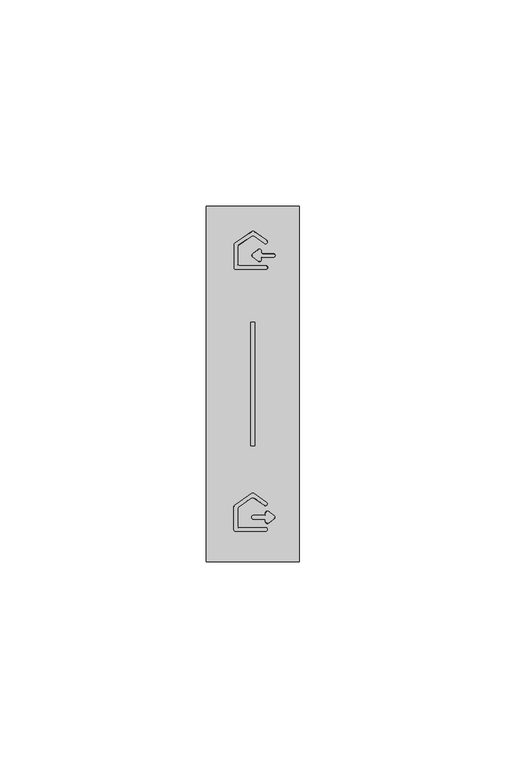
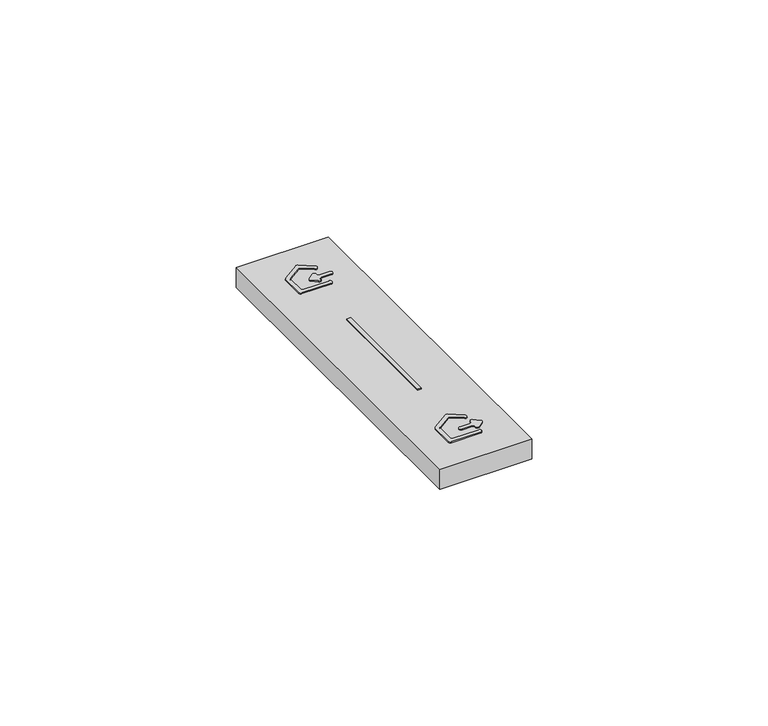
"""IFC4 building model written with IfcOpenShell, lengths in millimetres: proxy geometry."""

from ifc_helpers import new_model, si_unit, frame, origin, place, context, project, spatial, polyline, circle_curve, outline, extrude, source, transform, mapped, element, save
from ifc_brep_helpers import plane_surface, revolved_surface, advanced_brep


def electrical_fixtures_b326f416(model_context):
    return source(origin(), model_context, "Body", "SolidModel", [
        advanced_brep(
        [(11.3969709, 10.269254, 10.9634475), (13.9469709, 10.269254, 10.9634475), (14.3000287, 9.9161962, 10.9634475), (14.3000287, 9.6612323, 10.9634475), (15.0221361, 9.3090369, 10.9634475), (16.3724284, 10.3640009, 10.9634475), (16.3724284, 11.0683915, 10.9634475), (15.0221361, 12.1233555, 10.9634475), (14.3000287, 11.7711602, 10.9634475), (14.3000287, 11.5161962, 10.9634475), (13.9469709, 11.1631385, 10.9634475), (11.3969709, 11.1631385, 10.9634475), (14.27698, 11.5161962, 10.7), (14.27698, 11.7711602, 10.7), (15.0363263, 12.1415181, 10.7), (16.3866186, 11.0865541, 10.7), (16.3866186, 10.3458383, 10.7), (15.0363263, 9.2908743, 10.7), (14.27698, 9.6612323, 10.7), (14.27698, 9.9161962, 10.7), (13.9469709, 10.2462053, 10.7), (11.3969709, 10.2462053, 10.7), (11.3969709, 11.1861872, 10.7), (13.9469709, 11.1861872, 10.7)],
        [
            (0, 1),
            (1, 2, circle_curve(frame((13.9469709, 9.9161962, 10.9634475), z_axis=(0.0, 0.0, -1.0), x_axis=(1.0000000000000002, 0.0, 0.0)), 0.3530577)),
            (2, 3),
            (3, 4, circle_curve(frame((14.7469709, 9.6612323, 10.9634475), z_axis=(0.0, 0.0, 1.0), x_axis=(-1.0000000000000002, 0.0, 0.0)), 0.4469423)),
            (4, 5),
            (5, 6, circle_curve(frame((16.0972632, 10.7161962, 10.9634475), z_axis=(0.0, 0.0, 1.0), x_axis=(0.615661475325737, -0.7880107536066608, 0.0)), 0.4469423)),
            (6, 7),
            (7, 8, circle_curve(frame((14.7469709, 11.7711602, 10.9634475), z_axis=(0.0, 0.0, 1.0), x_axis=(0.6156614753257342, 0.788010753606663, 0.0)), 0.4469423)),
            (8, 9),
            (9, 10, circle_curve(frame((13.9469709, 11.5161962, 10.9634475), z_axis=(0.0, 0.0, -1.0), x_axis=(0.0, -1.0000000000000002, 0.0)), 0.3530577)),
            (10, 11),
            (11, 0, circle_curve(frame((11.3969709, 10.7161962, 10.9634475), z_axis=(0.0, 0.0, 1.0), x_axis=(0.0, 1.0000000000000002, 0.0)), 0.4469423)),
            (12, 13),
            (13, 14, circle_curve(frame((14.7469709, 11.7711602, 10.7), z_axis=(0.0, 0.0, -1.0), x_axis=(0.6156614753257342, 0.788010753606663, 0.0)), 0.4699909)),
            (14, 15),
            (15, 16, circle_curve(frame((16.0972632, 10.7161962, 10.7), z_axis=(0.0, 0.0, -1.0), x_axis=(0.615661475325737, -0.7880107536066608, 0.0)), 0.4699909)),
            (16, 17),
            (17, 18, circle_curve(frame((14.7469709, 9.6612323, 10.7), z_axis=(0.0, 0.0, -1.0), x_axis=(-1.0000000000000002, 0.0, 0.0)), 0.4699909)),
            (18, 19),
            (19, 20, circle_curve(frame((13.9469709, 9.9161962, 10.7), z_axis=(0.0, 0.0, 1.0), x_axis=(1.0000000000000002, 0.0, 0.0)), 0.3300091)),
            (20, 21),
            (21, 22, circle_curve(frame((11.3969709, 10.7161962, 10.7), z_axis=(0.0, 0.0, -1.0), x_axis=(0.0, 1.0000000000000002, 0.0)), 0.4699909)),
            (22, 23),
            (23, 12, circle_curve(frame((13.9469709, 11.5161962, 10.7), z_axis=(0.0, 0.0, 1.0), x_axis=(0.0, -1.0000000000000002, 0.0)), 0.3300091)),
            (16, 5),
            (4, 17),
            (15, 6),
            (14, 7),
            (13, 8),
            (12, 9),
            (23, 10),
            (22, 11),
            (20, 1),
            (0, 21),
            (19, 2),
            (18, 3),
        ],
        [
            plane_surface(frame((11.1969709, 11.4661962, 10.9634475), z_axis=(0.0, 0.0, 1.0), x_axis=(1.0, 0.0, 0.0))),
            plane_surface(frame((11.1969709, 11.4661962, 10.7), z_axis=(0.0, 0.0, -1.0), x_axis=(1.0, 0.0, 0.0))),
            plane_surface(frame((12.1833997, 7.1507436, 11.5), z_axis=(0.6133186975351117, -0.7850121347851438, 0.08715574274771593), x_axis=(0.7880107536095832, 0.6156614753219962, 0.0))),
            revolved_surface(polyline([(16.372428417541567, 10.364000899266927, 10.9634475), (16.3866186, 10.3458383, 10.7)]), (16.0972632, 10.7161962, 16.0720209), (0.0, 0.0, -1.0)),
            plane_surface(frame((11.5971171, 14.739703, 11.5), z_axis=(0.6133186975322746, 0.7850121347873575, 0.08715574274773943), x_axis=(-0.7880107536118072, 0.6156614753191497, 0.0))),
            revolved_surface(polyline([(15.02213611754157, 12.123355500733075, 10.9634475), (15.0363263, 12.1415181, 10.7)]), (14.7469709, 11.7711602, 16.0720209), (0.0, 0.0, -1.0)),
            plane_surface(frame((14.3469709, 11.9475083, 11.5), z_axis=(-0.9961946980917439, 0.0, 0.0871557427476776), x_axis=(0.0, -1.0, 0.0))),
            revolved_surface(polyline([(13.9469709, 11.1631385, 10.9634475), (13.9469709, 11.18618716726766, 10.7)]), (13.9469709, 11.5161962, 6.9279791), (0.0, 0.0, 1.0)),
            plane_surface(frame((11.1969709, 11.1161962, 11.5), z_axis=(0.0, 0.9961946980917439, 0.0871557427476776), x_axis=(1.0, 0.0, 0.0))),
            plane_surface(frame((11.1969709, 10.3161962, 11.5), z_axis=(0.0, -0.9961946980917439, 0.0871557427476776), x_axis=(1.0, 0.0, 0.0))),
            revolved_surface(polyline([(14.3000287, 9.9161962, 10.9634475), (14.276980026204042, 9.9161962, 10.7)]), (13.9469709, 9.9161962, 6.9279791), (0.0, 0.0, 1.0)),
            revolved_surface(polyline([(14.300028668263325, 9.6612323, 10.9634475), (14.27698, 9.6612323, 10.7)]), (14.7469709, 9.6612323, 16.0720209), (0.0, 0.0, -1.0)),
            revolved_surface(polyline([(11.3969709, 11.16313852683261, 10.9634475), (11.3969709, 11.1861872, 10.7)]), (11.3969709, 10.7161962, 16.0720209), (0.0, 0.0, -1.0)),
        ],
        [
            (0, [[1, 2, 3, 4, 5, 6, 7, 8, 9, 10, 11, 12]]),
            (1, [[13, 14, 15, 16, 17, 18, 19, 20, 21, 22, 23, 24]]),
            (2, [[-17, 25, -5, 26]]),
            (3, [[-16, 27, -6, -25]]),
            (4, [[-15, 28, -7, -27]]),
            (5, [[-14, 29, -8, -28]]),
            (6, [[-13, 30, -9, -29]]),
            (7, [[-24, 31, -10, -30]]),
            (8, [[32, -11, -31, -23]]),
            (9, [[-21, 33, -1, 34]]),
            (10, [[-20, 35, -2, -33]]),
            (6, [[-19, 36, -3, -35]]),
            (11, [[-18, -26, -4, -36]]),
            (12, [[-22, -34, -12, -32]]),
        ],
    ),
        advanced_brep(
        [(14.2969709, 7.319254, 10.9634475), (14.2969709, 8.2131385, 10.9634475), (7.8969709, 8.2131385, 10.9634475), (7.5439132, 8.5661962, 10.9634475), (7.5439132, 12.8415158, 10.9634475), (7.6944653, 13.1307237, 10.9634475), (10.9944653, 15.4414086, 10.9634475), (11.3994765, 15.4414086, 10.9634475), (13.987793, 13.6290499, 10.9634475), (14.5005041, 14.3612772, 10.9634475), (11.4533265, 16.494934, 10.9634475), (10.9406154, 16.494934, 10.9634475), (6.8406154, 13.6240831, 10.9634475), (6.6500287, 13.2579694, 10.9634475), (6.6500287, 7.7661962, 10.9634475), (7.0969709, 7.319254, 10.9634475), (14.2969709, 8.2361872, 10.7), (14.2969709, 7.2962053, 10.7), (7.0969709, 7.2962053, 10.7), (6.62698, 7.7661962, 10.7), (6.62698, 13.2579694, 10.7), (6.8273952, 13.6429634, 10.7), (10.9273952, 16.5138143, 10.7), (11.4665467, 16.5138143, 10.7), (14.5137243, 14.3801576, 10.7), (13.9745728, 13.6101695, 10.7), (11.3862564, 15.4225282, 10.7), (11.0076855, 15.4225282, 10.7), (7.7076855, 13.1118434, 10.7), (7.5669619, 12.8415158, 10.7), (7.5669619, 8.5661962, 10.7), (7.8969709, 8.2361872, 10.7)],
        [
            (0, 1, circle_curve(frame((14.2969709, 7.7661962, 10.9634475), z_axis=(0.0, 0.0, 1.0), x_axis=(0.0, -1.0000000000000002, 0.0)), 0.4469423)),
            (1, 2),
            (2, 3, circle_curve(frame((7.8969709, 8.5661962, 10.9634475), z_axis=(0.0, 0.0, -1.0), x_axis=(-1.0000000000000002, 0.0, 0.0)), 0.3530577)),
            (3, 4),
            (4, 5, circle_curve(frame((7.8969709, 12.8415158, 10.9634475), z_axis=(0.0, 0.0, -1.0), x_axis=(-0.5735764363510132, 0.8191520442890151, 0.0)), 0.3530577)),
            (5, 6),
            (6, 7, circle_curve(frame((11.1969709, 15.1522006, 10.9634475), z_axis=(0.0, 0.0, -1.0), x_axis=(0.5735764363510097, 0.8191520442890176, 0.0)), 0.3530577)),
            (7, 8),
            (8, 9, circle_curve(frame((14.2441485, 13.9951636, 10.9634475), z_axis=(0.0, 0.0, 1.0), x_axis=(-0.5735764363510101, -0.8191520442890173, 0.0)), 0.4469423)),
            (9, 10),
            (10, 11, circle_curve(frame((11.1969709, 16.1288203, 10.9634475), z_axis=(0.0, 0.0, 1.0), x_axis=(0.5735764363510104, 0.8191520442890172, 0.0)), 0.4469423)),
            (11, 12),
            (12, 13, circle_curve(frame((7.0969709, 13.2579694, 10.9634475), z_axis=(0.0, 0.0, 1.0), x_axis=(-0.5735764363510132, 0.8191520442890152, 0.0)), 0.4469423)),
            (13, 14),
            (14, 15, circle_curve(frame((7.0969709, 7.7661962, 10.9634475), z_axis=(0.0, 0.0, 1.0), x_axis=(-1.0000000000000002, 0.0, 0.0)), 0.4469423)),
            (15, 0),
            (16, 17, circle_curve(frame((14.2969709, 7.7661962, 10.7), z_axis=(0.0, 0.0, -1.0), x_axis=(0.0, -1.0000000000000002, 0.0)), 0.4699909)),
            (17, 18),
            (18, 19, circle_curve(frame((7.0969709, 7.7661962, 10.7), z_axis=(0.0, 0.0, -1.0), x_axis=(-1.0000000000000002, 0.0, 0.0)), 0.4699909)),
            (19, 20),
            (20, 21, circle_curve(frame((7.0969709, 13.2579694, 10.7), z_axis=(0.0, 0.0, -1.0), x_axis=(-0.5735764363510132, 0.8191520442890152, 0.0)), 0.4699909)),
            (21, 22),
            (22, 23, circle_curve(frame((11.1969709, 16.1288203, 10.7), z_axis=(0.0, 0.0, -1.0), x_axis=(0.5735764363510104, 0.8191520442890172, 0.0)), 0.4699909)),
            (23, 24),
            (24, 25, circle_curve(frame((14.2441485, 13.9951636, 10.7), z_axis=(0.0, 0.0, -1.0), x_axis=(-0.5735764363510101, -0.8191520442890173, 0.0)), 0.4699909)),
            (25, 26),
            (26, 27, circle_curve(frame((11.1969709, 15.1522006, 10.7), z_axis=(0.0, 0.0, 1.0), x_axis=(0.5735764363510097, 0.8191520442890176, 0.0)), 0.3300091)),
            (27, 28),
            (28, 29, circle_curve(frame((7.8969709, 12.8415158, 10.7), z_axis=(0.0, 0.0, 1.0), x_axis=(-0.5735764363510132, 0.8191520442890151, 0.0)), 0.3300091)),
            (29, 30),
            (30, 31, circle_curve(frame((7.8969709, 8.5661962, 10.7), z_axis=(0.0, 0.0, 1.0), x_axis=(-1.0000000000000002, 0.0, 0.0)), 0.3300091)),
            (31, 16),
            (23, 10),
            (9, 24),
            (22, 11),
            (21, 12),
            (20, 13),
            (19, 14),
            (18, 15),
            (17, 0),
            (31, 2),
            (1, 16),
            (30, 3),
            (29, 4),
            (28, 5),
            (27, 6),
            (26, 7),
            (25, 8),
        ],
        [
            plane_surface(frame((11.1969709, 11.4661962, 10.9634475), z_axis=(0.0, 0.0, 1.0), x_axis=(1.0, 0.0, 0.0))),
            plane_surface(frame((11.1969709, 11.4661962, 10.7), z_axis=(0.0, 0.0, -1.0), x_axis=(1.0, 0.0, 0.0))),
            plane_surface(frame((11.5971171, 16.3369448, 11.5), z_axis=(0.5713938048422734, 0.816034923452397, 0.08715574274774218), x_axis=(0.8191520442896891, -0.5735764363500503, 0.0))),
            revolved_surface(polyline([(11.453326522362474, 16.494933936594304, 10.9634475), (11.4665467, 16.5138143, 10.7)]), (11.1969709, 16.1288203, 16.0720209), (0.0, 0.0, -1.0)),
            plane_surface(frame((11.5971171, 16.8973155, 11.5), z_axis=(-0.571393804832955, 0.8160349234589273, 0.08715574274769256), x_axis=(0.8191520442962407, 0.5735764363406937, 0.0))),
            revolved_surface(polyline([(6.840615372733458, 13.624083036594302, 10.9634475), (6.8273952, 13.6429634, 10.7)]), (7.0969709, 13.2579694, 16.0720209), (0.0, 0.0, -1.0)),
            plane_surface(frame((6.6969709, 11.9475083, 11.5), z_axis=(-0.9961946980917439, 0.0, 0.0871557427476776), x_axis=(0.0, -1.0, 0.0))),
            revolved_surface(polyline([(6.6500286682633245, 7.7661962, 10.9634475), (6.62698, 7.7661962, 10.7)]), (7.0969709, 7.7661962, 16.0720209), (0.0, 0.0, -1.0)),
            plane_surface(frame((11.1969709, 7.3661962, 11.5), z_axis=(0.0, -0.9961946980917439, 0.0871557427476776), x_axis=(1.0, 0.0, 0.0))),
            plane_surface(frame((11.5971171, 8.1661962, 11.5), z_axis=(0.0, 0.9961946980917439, 0.0871557427476776), x_axis=(-1.0, 0.0, 0.0))),
            revolved_surface(polyline([(7.5439132, 8.5661962, 10.9634475), (7.566961867267659, 8.5661962, 10.7)]), (7.8969709, 8.5661962, 6.9279791), (0.0, 0.0, 1.0)),
            plane_surface(frame((7.4969709, 11.4661962, 11.5), z_axis=(0.9961946980917439, 0.0, 0.0871557427476776), x_axis=(0.0, 1.0, 0.0))),
            revolved_surface(polyline([(7.6944653, 13.1307237, 10.9634475), (7.707685473909923, 13.111843339485903, 10.7)]), (7.8969709, 12.8415158, 6.9279791), (0.0, 0.0, 1.0)),
            plane_surface(frame((11.5971171, 15.9206958, 11.5), z_axis=(0.5713938048422764, -0.8160349234523949, 0.08715574274774221), x_axis=(-0.819152044289687, -0.5735764363500533, 0.0))),
            revolved_surface(polyline([(11.3994765, 15.4414086, 10.9634475), (11.386256326090077, 15.422528232957603, 10.7)]), (11.1969709, 15.1522006, 6.9279791), (0.0, 0.0, 1.0)),
            plane_surface(frame((11.5971171, 15.3603251, 11.5), z_axis=(-0.5713938048470433, -0.8160349234490609, 0.08715574274770654), x_axis=(-0.8191520442863377, 0.5735764363548366, 0.0))),
            revolved_surface(polyline([(14.2969709, 7.319253968263325, 10.9634475), (14.2969709, 7.2962053, 10.7)]), (14.2969709, 7.7661962, 16.0720209), (0.0, 0.0, -1.0)),
            revolved_surface(polyline([(13.987792972733459, 13.629049868309764, 10.9634475), (13.9745728, 13.6101695, 10.7)]), (14.2441485, 13.9951636, 16.0720209), (0.0, 0.0, -1.0)),
        ],
        [
            (0, [[1, 2, 3, 4, 5, 6, 7, 8, 9, 10, 11, 12, 13, 14, 15, 16]]),
            (1, [[17, 18, 19, 20, 21, 22, 23, 24, 25, 26, 27, 28, 29, 30, 31, 32]]),
            (2, [[33, -10, 34, -24]]),
            (3, [[-23, 35, -11, -33]]),
            (4, [[36, -12, -35, -22]]),
            (5, [[-21, 37, -13, -36]]),
            (6, [[-20, 38, -14, -37]]),
            (7, [[-19, 39, -15, -38]]),
            (8, [[-18, 40, -16, -39]]),
            (9, [[-32, 41, -2, 42]]),
            (10, [[-31, 43, -3, -41]]),
            (11, [[-30, 44, -4, -43]]),
            (12, [[-29, 45, -5, -44]]),
            (13, [[46, -6, -45, -28]]),
            (14, [[-27, 47, -7, -46]]),
            (15, [[48, -8, -47, -26]]),
            (16, [[-17, -42, -1, -40]]),
            (17, [[-25, -34, -9, -48]]),
        ],
    ),
        advanced_brep(
        [(13.6128265, 74.5995559, 10.9533734), (13.2606303, 74.9517323, 10.9533734), (13.2606303, 75.206695, 10.9533734), (12.537099, 75.5595861, 10.9533734), (11.1867757, 74.5045979, 10.9533734), (11.1868067, 73.7988424, 10.9533734), (12.537098, 72.7438792, 10.9533734), (13.2606303, 73.0967683, 10.9533734), (13.2606303, 73.3517124, 10.9533734), (13.6128265, 73.7039086, 10.9533734), (16.1628265, 73.7039086, 10.9533734), (16.6106303, 74.1517521, 10.9533734), (16.1628067, 74.5995559, 10.9533734), (16.6327977, 74.1517612, 10.7), (16.1628357, 73.6817413, 10.7), (13.6128357, 73.6817413, 10.7), (13.2827976, 73.3517033, 10.7), (13.2827976, 73.0967683, 10.7), (12.52345, 72.7264115, 10.7), (11.1731591, 73.7813744, 10.7), (11.1731138, 74.5220547, 10.7), (12.5234514, 75.5770541, 10.7), (13.2827976, 75.2066944, 10.7), (13.2827976, 74.9517323, 10.7), (13.6128357, 74.6217232, 10.7), (16.1628067, 74.6217232, 10.7)],
        [
            (0, 1, circle_curve(frame((13.6129724, 74.951898, 10.9533734), z_axis=(0.0, 0.0, -1.0), x_axis=(-0.9999999142703148, -0.0004140765188228314, 0.0)), 0.3523421)),
            (1, 2),
            (2, 3, circle_curve(frame((12.8128118, 75.2067066, 10.9533734), z_axis=(0.0, 0.0, 1.0), x_axis=(0.9999999996608449, -2.604439838031709e-05, 0.0)), 0.4478186)),
            (3, 4),
            (4, 5, circle_curve(frame((11.4629321, 74.1517323, 10.9533734), z_axis=(0.0, 0.0, 1.0), x_axis=(-0.6163092908499913, 0.7875041955519863, 0.0)), 0.4480809)),
            (5, 6),
            (6, 7, circle_curve(frame((12.8128118, 73.0967579, 10.9533734), z_axis=(0.0, 0.0, 1.0), x_axis=(-0.6156819983828117, -0.787994718806762, 0.0)), 0.4478186)),
            (7, 8),
            (8, 9, circle_curve(frame((13.6129724, 73.3515666, 10.9533734), z_axis=(0.0, 0.0, -1.0), x_axis=(-0.00041407651882349213, 0.9999999142703149, 0.0)), 0.3523421)),
            (9, 10),
            (10, 11, circle_curve(frame((16.162641, 74.151898, 10.9533734), z_axis=(0.0, 0.0, 1.0), x_axis=(0.00041407651882217086, -0.9999999142703149, 0.0)), 0.4479894)),
            (11, 12, circle_curve(frame((16.162641, 74.1515666, 10.9533734), z_axis=(0.0, 0.0, 1.0), x_axis=(0.9999999142703148, 0.000414076518820932, 0.0)), 0.4479894)),
            (12, 0),
            (13, 14, circle_curve(frame((16.162641, 74.151898, 10.7), z_axis=(0.0, 0.0, -1.0), x_axis=(0.00041407651882217086, -0.9999999142703149, 0.0)), 0.4701567)),
            (14, 15),
            (15, 16, circle_curve(frame((13.6129724, 73.3515666, 10.7), z_axis=(0.0, 0.0, 1.0), x_axis=(-0.00041407651882349213, 0.9999999142703149, 0.0)), 0.3301748)),
            (16, 17),
            (17, 18, circle_curve(frame((12.8128118, 73.0967579, 10.7), z_axis=(0.0, 0.0, -1.0), x_axis=(-0.6156819983828117, -0.787994718806762, 0.0)), 0.4699858)),
            (18, 19),
            (19, 20, circle_curve(frame((11.4629321, 74.1517323, 10.7), z_axis=(0.0, 0.0, -1.0), x_axis=(-0.6163092908499913, 0.7875041955519863, 0.0)), 0.4702482)),
            (20, 21),
            (21, 22, circle_curve(frame((12.8128118, 75.2067066, 10.7), z_axis=(0.0, 0.0, -1.0), x_axis=(0.9999999996608449, -2.604439838031709e-05, 0.0)), 0.4699858)),
            (22, 23),
            (23, 24, circle_curve(frame((13.6129724, 74.951898, 10.7), z_axis=(0.0, 0.0, 1.0), x_axis=(-0.9999999142703148, -0.0004140765188228314, 0.0)), 0.3301748)),
            (24, 25),
            (25, 13, circle_curve(frame((16.162641, 74.1515666, 10.7), z_axis=(0.0, 0.0, -1.0), x_axis=(0.9999999142703148, 0.000414076518820932, 0.0)), 0.4701567)),
            (15, 9),
            (8, 16),
            (7, 17),
            (6, 18),
            (5, 19),
            (4, 20),
            (3, 21),
            (2, 22),
            (1, 23),
            (0, 24),
            (12, 25),
            (11, 13),
            (10, 14),
        ],
        [
            plane_surface(frame((11.2626748, 74.9017323, 10.9533734), z_axis=(0.0, 0.0, 1.0), x_axis=(1.0, 0.0, 0.0))),
            plane_surface(frame((11.2626748, 74.9017323, 10.7), z_axis=(0.0, 0.0, -1.0), x_axis=(1.0, 0.0, 0.0))),
            revolved_surface(polyline([(13.6128265, 73.7039086, 10.9533734), (13.612835679172843, 73.68174130652963, 10.7)]), (13.6129724, 73.3515666, 6.9260847), (0.0, 0.0, 1.0)),
            plane_surface(frame((13.2128067, 73.2242503, 11.5), z_axis=(0.9961946980917439, 0.0, 0.0871557427476776), x_axis=(0.0, -1.0, 0.0))),
            revolved_surface(polyline([(13.260630302025092, 73.09676780947476, 10.9533734), (13.2827976, 73.0967683, 10.7)]), (12.8128118, 73.0967579, 16.0719628), (0.0, 0.0, -1.0)),
            plane_surface(frame((11.891396, 73.309046, 11.5), z_axis=(-0.6133186975390488, -0.7850121347820685, 0.08715574274770735), x_axis=(-0.7880107536064958, 0.615661475325948, 0.0))),
            revolved_surface(polyline([(11.186818875009418, 73.79883291265288, 10.9533734), (11.1731591, 73.7813744, 10.7)]), (11.4629321, 74.1517323, 16.0749619), (0.0, 0.0, -1.0)),
            plane_surface(frame((11.891396, 74.9944185, 11.5), z_axis=(-0.6133186975390515, 0.7850121347820664, 0.08715574274770735), x_axis=(0.7880107536064935, 0.6156614753259507, 0.0))),
            revolved_surface(polyline([(12.537099340446156, 75.55958633100195, 10.9533734), (12.5234514, 75.5770541, 10.7)]), (12.8128118, 75.2067066, 16.0719628), (0.0, 0.0, -1.0)),
            plane_surface(frame((13.2128067, 75.0792142, 11.5), z_axis=(0.9961946980917439, 0.0, 0.0871557427476776), x_axis=(0.0, -1.0, 0.0))),
            revolved_surface(polyline([(13.2606303, 74.9517323, 10.9533734), (13.282797599761784, 74.95174272487279, 10.7)]), (13.6129724, 74.951898, 6.9260847), (0.0, 0.0, 1.0)),
            plane_surface(frame((11.2626748, 74.5517323, 11.5), z_axis=(0.0, 0.9961946980917439, 0.0871557427476776), x_axis=(1.0, 0.0, 0.0))),
            revolved_surface(polyline([(16.162798887451785, 74.59955590304345, 10.9533734), (16.1628067, 74.6217232, 10.7)]), (16.162641, 74.1515666, 16.0739153), (0.0, 0.0, -1.0)),
            revolved_surface(polyline([(16.610630398328578, 74.15176764994928, 10.9533734), (16.6327977, 74.1517612, 10.7)]), (16.162641, 74.151898, 16.0739153), (0.0, 0.0, -1.0)),
            plane_surface(frame((14.8878067, 73.7517323, 11.5), z_axis=(0.0, -0.9961946980917439, 0.0871557427476776), x_axis=(-1.0, 0.0, 0.0))),
        ],
        [
            (0, [[1, 2, 3, 4, 5, 6, 7, 8, 9, 10, 11, 12, 13]]),
            (1, [[14, 15, 16, 17, 18, 19, 20, 21, 22, 23, 24, 25, 26]]),
            (2, [[27, -9, 28, -16]]),
            (3, [[-17, -28, -8, 29]]),
            (4, [[-29, -7, 30, -18]]),
            (5, [[-19, -30, -6, 31]]),
            (6, [[-31, -5, 32, -20]]),
            (7, [[-21, -32, -4, 33]]),
            (8, [[-33, -3, 34, -22]]),
            (9, [[-23, -34, -2, 35]]),
            (10, [[-35, -1, 36, -24]]),
            (11, [[-36, -13, 37, -25]]),
            (12, [[-37, -12, 38, -26]]),
            (13, [[-38, -11, 39, -14]]),
            (14, [[-15, -39, -10, -27]]),
        ],
    ),
        advanced_brep(
        [(14.3626748, 70.7545114, 10.9602637), (14.3626748, 71.6489531, 10.9602637), (7.9626748, 71.6489531, 10.9602637), (7.6098956, 72.0017323, 10.9602637), (7.6098956, 76.2770518, 10.9602637), (7.760329, 76.5660316, 10.9602637), (11.060329, 78.8767165, 10.9602637), (11.4650206, 78.8767165, 10.9602637), (14.0533371, 77.0643578, 10.9602637), (14.5663677, 77.7970415, 10.9602637), (11.5191901, 79.9306982, 10.9602637), (11.0061595, 79.9306982, 10.9602637), (6.9061595, 77.0598473, 10.9602637), (6.715454, 76.6935054, 10.9602637), (6.715454, 71.2017323, 10.9602637), (7.1626748, 70.7545114, 10.9602637), (14.3626748, 71.6717232, 10.7), (14.3626748, 70.7317413, 10.7), (7.1626748, 70.7317413, 10.7), (6.6926839, 71.2017323, 10.7), (6.6926839, 76.6935054, 10.7), (6.8930991, 77.0784995, 10.7), (10.9930991, 79.9493504, 10.7), (11.5322505, 79.9493504, 10.7), (14.5794281, 77.8156936, 10.7), (14.0402767, 77.0457056, 10.7), (11.4519602, 78.8580643, 10.7), (11.0733894, 78.8580643, 10.7), (7.7733894, 76.5473794, 10.7), (7.6326657, 76.2770518, 10.7), (7.6326657, 72.0017323, 10.7), (7.9626748, 71.6717232, 10.7)],
        [
            (0, 1, circle_curve(frame((14.3626748, 71.2017323, 10.9602637), z_axis=(0.0, 0.0, 1.0), x_axis=(0.0, -1.0000000000000002, 0.0)), 0.4472208)),
            (1, 2),
            (2, 3, circle_curve(frame((7.9626748, 72.0017323, 10.9602637), z_axis=(0.0, 0.0, -1.0), x_axis=(-1.0000000000000002, 0.0, 0.0)), 0.3527792)),
            (3, 4),
            (4, 5, circle_curve(frame((7.9626748, 76.2770518, 10.9602637), z_axis=(0.0, 0.0, -1.0), x_axis=(-0.5735764363510127, 0.8191520442890153, 0.0)), 0.3527792)),
            (5, 6),
            (6, 7, circle_curve(frame((11.2626748, 78.5877367, 10.9602637), z_axis=(0.0, 0.0, -1.0), x_axis=(0.5735764363510095, 0.8191520442890176, 0.0)), 0.3527792)),
            (7, 8),
            (8, 9, circle_curve(frame((14.3098524, 77.4306996, 10.9602637), z_axis=(0.0, 0.0, 1.0), x_axis=(-0.5735764363510101, -0.8191520442890174, 0.0)), 0.4472208)),
            (9, 10),
            (10, 11, circle_curve(frame((11.2626748, 79.5643563, 10.9602637), z_axis=(0.0, 0.0, 1.0), x_axis=(0.5735764363510103, 0.8191520442890172, 0.0)), 0.4472208)),
            (11, 12),
            (12, 13, circle_curve(frame((7.1626748, 76.6935054, 10.9602637), z_axis=(0.0, 0.0, 1.0), x_axis=(-0.5735764363510132, 0.8191520442890152, 0.0)), 0.4472208)),
            (13, 14),
            (14, 15, circle_curve(frame((7.1626748, 71.2017323, 10.9602637), z_axis=(0.0, 0.0, 1.0), x_axis=(-1.0000000000000002, 0.0, 0.0)), 0.4472208)),
            (15, 0),
            (16, 17, circle_curve(frame((14.3626748, 71.2017323, 10.7), z_axis=(0.0, 0.0, -1.0), x_axis=(0.0, -1.0000000000000002, 0.0)), 0.4699909)),
            (17, 18),
            (18, 19, circle_curve(frame((7.1626748, 71.2017323, 10.7), z_axis=(0.0, 0.0, -1.0), x_axis=(-1.0000000000000002, 0.0, 0.0)), 0.4699909)),
            (19, 20),
            (20, 21, circle_curve(frame((7.1626748, 76.6935054, 10.7), z_axis=(0.0, 0.0, -1.0), x_axis=(-0.5735764363510132, 0.8191520442890152, 0.0)), 0.4699909)),
            (21, 22),
            (22, 23, circle_curve(frame((11.2626748, 79.5643563, 10.7), z_axis=(0.0, 0.0, -1.0), x_axis=(0.5735764363510103, 0.8191520442890172, 0.0)), 0.4699909)),
            (23, 24),
            (24, 25, circle_curve(frame((14.3098524, 77.4306996, 10.7), z_axis=(0.0, 0.0, -1.0), x_axis=(-0.5735764363510101, -0.8191520442890174, 0.0)), 0.4699909)),
            (25, 26),
            (26, 27, circle_curve(frame((11.2626748, 78.5877367, 10.7), z_axis=(0.0, 0.0, 1.0), x_axis=(0.5735764363510095, 0.8191520442890176, 0.0)), 0.3300091)),
            (27, 28),
            (28, 29, circle_curve(frame((7.9626748, 76.2770518, 10.7), z_axis=(0.0, 0.0, 1.0), x_axis=(-0.5735764363510127, 0.8191520442890153, 0.0)), 0.3300091)),
            (29, 30),
            (30, 31, circle_curve(frame((7.9626748, 72.0017323, 10.7), z_axis=(0.0, 0.0, 1.0), x_axis=(-1.0000000000000002, 0.0, 0.0)), 0.3300091)),
            (31, 16),
            (23, 10),
            (9, 24),
            (22, 11),
            (21, 12),
            (20, 13),
            (19, 14),
            (18, 15),
            (17, 0),
            (31, 2),
            (1, 16),
            (30, 3),
            (29, 4),
            (28, 5),
            (27, 6),
            (26, 7),
            (25, 8),
        ],
        [
            plane_surface(frame((11.2626748, 74.9017323, 10.9602637), z_axis=(0.0, 0.0, 1.0), x_axis=(1.0, 0.0, 0.0))),
            plane_surface(frame((11.2626748, 74.9017323, 10.7), z_axis=(0.0, 0.0, -1.0), x_axis=(1.0, 0.0, 0.0))),
            plane_surface(frame((11.662821, 79.7724808, 11.5), z_axis=(0.5713938048422734, 0.816034923452397, 0.08715574274774218), x_axis=(0.8191520442896891, -0.5735764363500503, 0.0))),
            revolved_surface(polyline([(11.519190094908856, 79.93069820359024, 10.9602637), (11.5322505, 79.9493504, 10.7)]), (11.2626748, 79.5643563, 16.0720209), (0.0, 0.0, -1.0)),
            plane_surface(frame((11.662821, 80.3328515, 11.5), z_axis=(-0.571393804832955, 0.8160349234589273, 0.08715574274769256), x_axis=(0.8191520442962407, 0.5735764363406937, 0.0))),
            revolved_surface(polyline([(6.906159505091144, 77.05984730359025, 10.9602637), (6.8930991, 77.0784995, 10.7)]), (7.1626748, 76.6935054, 16.0720209), (0.0, 0.0, -1.0)),
            plane_surface(frame((6.7626748, 75.3830443, 11.5), z_axis=(-0.9961946980917439, 0.0, 0.0871557427476776), x_axis=(0.0, -1.0, 0.0))),
            revolved_surface(polyline([(6.715454021873563, 71.2017323, 10.9602637), (6.6926839, 71.2017323, 10.7)]), (7.1626748, 71.2017323, 16.0720209), (0.0, 0.0, -1.0)),
            plane_surface(frame((11.2626748, 70.8017323, 11.5), z_axis=(0.0, -0.9961946980917439, 0.0871557427476776), x_axis=(1.0, 0.0, 0.0))),
            plane_surface(frame((11.662821, 71.6017323, 11.5), z_axis=(0.0, 0.9961946980917439, 0.0871557427476776), x_axis=(-1.0, 0.0, 0.0))),
            revolved_surface(polyline([(7.6098956, 72.0017323, 10.9602637), (7.632665723883378, 72.0017323, 10.7)]), (7.9626748, 72.0017323, 6.9279791), (0.0, 0.0, 1.0)),
            plane_surface(frame((7.5626748, 74.9017323, 11.5), z_axis=(0.9961946980917439, 0.0, 0.0871557427476776), x_axis=(0.0, 1.0, 0.0))),
            revolved_surface(polyline([(7.760329, 76.5660316, 10.9602637), (7.773389404165782, 76.54737940665699, 10.7)]), (7.9626748, 76.2770518, 6.9279791), (0.0, 0.0, 1.0)),
            plane_surface(frame((11.662821, 79.3562319, 11.5), z_axis=(0.5713938048422764, -0.8160349234523949, 0.08715574274774221), x_axis=(-0.819152044289687, -0.5735764363500533, 0.0))),
            revolved_surface(polyline([(11.4650206, 78.8767165, 10.9602637), (11.451960195834218, 78.85806430665698, 10.7)]), (11.2626748, 78.5877367, 6.9279791), (0.0, 0.0, 1.0)),
            plane_surface(frame((11.662821, 78.7958612, 11.5), z_axis=(-0.5713938048470433, -0.8160349234490609, 0.08715574274770654), x_axis=(-0.8191520442863377, 0.5735764363548366, 0.0))),
            revolved_surface(polyline([(14.3626748, 70.75451142671837, 10.9602637), (14.3626748, 70.7317413, 10.7)]), (14.3626748, 71.2017323, 16.0720209), (0.0, 0.0, -1.0)),
            revolved_surface(polyline([(14.053337105091144, 77.06435779156497, 10.9602637), (14.0402767, 77.0457056, 10.7)]), (14.3098524, 77.4306996, 16.0720209), (0.0, 0.0, -1.0)),
        ],
        [
            (0, [[1, 2, 3, 4, 5, 6, 7, 8, 9, 10, 11, 12, 13, 14, 15, 16]]),
            (1, [[17, 18, 19, 20, 21, 22, 23, 24, 25, 26, 27, 28, 29, 30, 31, 32]]),
            (2, [[33, -10, 34, -24]]),
            (3, [[-23, 35, -11, -33]]),
            (4, [[36, -12, -35, -22]]),
            (5, [[-21, 37, -13, -36]]),
            (6, [[-20, 38, -14, -37]]),
            (7, [[-19, 39, -15, -38]]),
            (8, [[-18, 40, -16, -39]]),
            (9, [[-32, 41, -2, 42]]),
            (10, [[-31, 43, -3, -41]]),
            (11, [[-30, 44, -4, -43]]),
            (12, [[-29, 45, -5, -44]]),
            (13, [[46, -6, -45, -28]]),
            (14, [[-27, 47, -7, -46]]),
            (15, [[48, -8, -47, -26]]),
            (16, [[-17, -42, -1, -40]]),
            (17, [[-25, -34, -9, -48]]),
        ],
    ),
        extrude(outline(polyline([(10.75, 58.0), (11.75, 58.0), (11.75, 28.0), (10.75, 28.0), (10.75, 58.0)])), frame((0.0, 0.0, 5.5), z_axis=(0.0, 0.0, 1.0), x_axis=(1.0, 0.0, 0.0)), (0.0, 0.0, 1.0), 5.2),
        extrude(outline(polyline([(0.0, 0.0), (0.0, 86.0), (22.5, 86.0), (22.5, 0.0), (0.0, 0.0)]), holes=[polyline([(10.75, 58.0), (10.75, 28.0), (11.75, 28.0), (11.75, 58.0), (10.75, 58.0)])]), frame((0.0, 0.0, 5.5), z_axis=(0.0, 0.0, 1.0), x_axis=(1.0, 0.0, 0.0)), (0.0, 0.0, 1.0), 5.2),
    ])


if __name__ == "__main__":
    model = new_model("IFC4")
    model_context = context("Model", 3, world=origin())
    ifc_project = project(units=[si_unit("LENGTHUNIT", "METRE", prefix="MILLI")], contexts=[model_context])
    site = spatial("IfcSite", under=ifc_project)
    building = spatial("IfcBuilding", under=site)
    placement = place(None, origin())
    electrical_fixtures_shape = electrical_fixtures_b326f416(model_context)
    element("IfcBuildingElementProxy", 1, Name="Electrical Fixtures", at=placement, inside=building, context=model_context, shape_type="MappedRepresentation", body=[
        mapped(electrical_fixtures_shape, transform((0.0, 0.0, 0.0), x_axis=(1.0, 0.0, 0.0), y_axis=(0.0, 1.0, 0.0), z_axis=(0.0, 0.0, 1.0))),
    ])
    save(model, "model.ifc")
